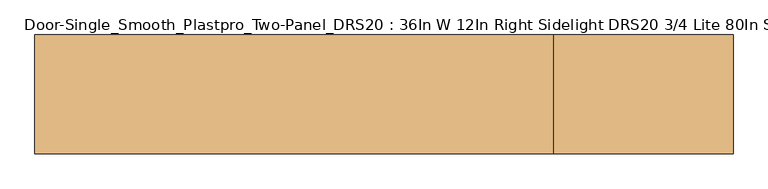
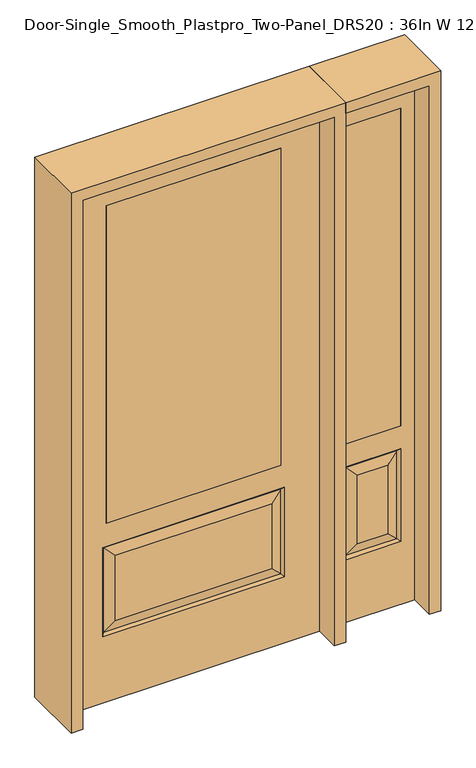
"""IFC4 building model written with IfcOpenShell, lengths in millimetres: door geometry, Door-Single_Smooth_Plastpro_Two-Panel_DRS20 : 36In W 12In Right Sidelight DRS20 3/4 Lite 80In Smooth."""

from ifc_helpers import new_model, si_unit, frame, origin, place, context, project, spatial, polyline, outline, extrude, faceted_brep, source, transform, mapped, element, save


def door_single_smooth_plastpro_two_panel_drs20_36in_w_12in_b6d457db(model_context):
    return source(origin(), model_context, "Body", "SolidModel", [
        extrude(outline(polyline([(549.275, -20.6375), (549.275, 20.6375), (752.475, 20.6375), (752.475, -20.6375), (549.275, -20.6375)])), frame((0.0, 0.0, 685.8), z_axis=(0.0, 0.0, 1.0), x_axis=(1.0, 0.0, 0.0)), (0.0, 0.0, 1.0), 1219.2),
        faceted_brep([(803.275, -20.6375, 0.0), (803.275, -20.6375, 2032.0), (498.475, -20.6375, 2032.0), (498.475, -20.6375, 0.0), (549.275, -20.6375, 685.8), (549.275, -20.6375, 1905.0), (752.475, -20.6375, 1905.0), (752.475, -20.6375, 685.8), (549.275, -20.6375, 241.3), (549.275, -20.6375, 596.9), (752.475, -20.6375, 596.9), (752.475, -20.6375, 241.3), (706.4375, -20.6375, 287.3375), (706.4375, -20.6375, 550.8625), (595.3125, -20.6375, 550.8625), (595.3125, -20.6375, 287.3375), (498.475, 20.6375, 0.0), (803.275, 20.6375, 0.0), (498.475, 20.6375, 2032.0), (803.275, 20.6375, 2032.0), (558.2552561, -11.6572439, 250.2802561), (743.4947439, -11.6572439, 250.2802561), (743.4947439, -11.6572439, 587.9197439), (558.2552561, -11.6572439, 587.9197439), (752.475, 20.6375, 685.8), (549.275, 20.6375, 685.8), (752.475, 20.6375, 1905.0), (549.275, 20.6375, 1905.0), (752.475, 20.6375, 241.3), (752.475, 20.6375, 596.9), (549.275, 20.6375, 596.9), (549.275, 20.6375, 241.3), (595.3125, 20.6375, 287.3375), (595.3125, 20.6375, 550.8625), (706.4375, 20.6375, 550.8625), (706.4375, 20.6375, 287.3375), (558.2552561, 11.6572439, 250.2802561), (743.4947439, 11.6572439, 250.2802561), (558.2552561, 11.6572439, 587.9197439), (743.4947439, 11.6572439, 587.9197439)], [[[0, 1, 2, 3], [4, 5, 6, 7], [8, 9, 10, 11]], [[12, 13, 14, 15]], [[3, 16, 17, 0]], [[2, 18, 16, 3]], [[0, 17, 19, 1]], [[20, 8, 11, 21]], [[11, 10, 22, 21]], [[10, 9, 23, 22]], [[20, 23, 9, 8]], [[21, 12, 15, 20]], [[15, 14, 23, 20]], [[22, 23, 14, 13]], [[21, 22, 13, 12]], [[4, 7, 24, 25]], [[7, 6, 26, 24]], [[25, 27, 5, 4]], [[17, 16, 18, 19], [24, 26, 27, 25], [28, 29, 30, 31]], [[32, 33, 34, 35]], [[28, 31, 36, 37]], [[31, 30, 38, 36]], [[39, 38, 30, 29]], [[37, 39, 29, 28]], [[36, 32, 35, 37]], [[35, 34, 39, 37]], [[34, 33, 38, 39]], [[36, 38, 33, 32]], [[1, 19, 18, 2]], [[27, 26, 6, 5]]]),
        extrude(outline(polyline([(317.5, -20.6375), (-317.5, -20.6375), (-317.5, 20.6375), (317.5, 20.6375), (317.5, -20.6375)])), frame((0.0, 0.0, 685.8), z_axis=(0.0, 0.0, 1.0), x_axis=(1.0, 0.0, 0.0)), (0.0, 0.0, 1.0), 1219.2),
        faceted_brep([(-317.5, 20.6375, 685.8), (-317.5, -20.6375, 685.8), (317.5, -20.6375, 685.8), (317.5, 20.6375, 685.8), (-321.2197439, 11.6572439, 587.9197439), (-284.1625, 20.6375, 550.8625), (-284.1625, 20.6375, 300.0375), (-321.2197439, 11.6572439, 262.9802561), (-321.2197439, -11.6572439, 262.9802561), (321.2197439, -11.6572439, 262.9802561), (284.1625, -20.6375, 300.0375), (-284.1625, -20.6375, 300.0375), (-321.2197439, -11.6572439, 587.9197439), (-284.1625, -20.6375, 550.8625), (284.1625, -20.6375, 550.8625), (321.2197439, -11.6572439, 587.9197439), (-330.2, -20.6375, 254.0), (330.2, -20.6375, 254.0), (317.5, -20.6375, 1905.0), (317.5, 20.6375, 1905.0), (284.1625, 20.6375, 300.0375), (321.2197439, 11.6572439, 262.9802561), (284.1625, 20.6375, 550.8625), (321.2197439, 11.6572439, 587.9197439), (457.2, 20.6375, 0.0), (457.2, -20.6375, 0.0), (-457.2, -20.6375, 0.0), (-457.2, 20.6375, 0.0), (457.2, 20.6375, 2032.0), (457.2, -20.6375, 2032.0), (-457.2, -20.6375, 2032.0), (-317.5, -20.6375, 1905.0), (-330.2, -20.6375, 596.9), (330.2, -20.6375, 596.9), (-457.2, 20.6375, 2032.0), (-317.5, 20.6375, 1905.0), (330.2, 20.6375, 596.9), (-330.2, 20.6375, 596.9), (-330.2, 20.6375, 254.0), (330.2, 20.6375, 254.0)], [[[0, 1, 2, 3]], [[4, 5, 6, 7]], [[8, 9, 10, 11]], [[12, 13, 14, 15]], [[9, 8, 16, 17]], [[18, 19, 3, 2]], [[7, 6, 20, 21]], [[22, 23, 21, 20]], [[24, 25, 26, 27]], [[28, 29, 25, 24]], [[11, 10, 14, 13]], [[29, 30, 26, 25], [31, 18, 2, 1], [17, 16, 32, 33]], [[30, 34, 27, 26]], [[5, 22, 20, 6]], [[34, 28, 24, 27], [19, 35, 0, 3], [36, 37, 38, 39]], [[23, 4, 37, 36]], [[37, 4, 7, 38]], [[38, 7, 21, 39]], [[23, 36, 39, 21]], [[4, 23, 22, 5]], [[35, 31, 1, 0]], [[16, 8, 12, 32]], [[32, 12, 15, 33]], [[9, 17, 33, 15]], [[10, 9, 15, 14]], [[8, 11, 13, 12]], [[28, 34, 30, 29]], [[31, 35, 19, 18]]]),
        extrude(outline(polyline([(2073.275, -498.475), (0.0, -498.475), (0.0, -457.2), (2032.0, -457.2), (2032.0, 457.2), (0.0, 457.2), (0.0, 498.475), (2073.275, 498.475), (2073.275, -498.475)])), frame((0.0, -114.3, 0.0), z_axis=(0.0, 1.0, 0.0), x_axis=(0.0, 0.0, 1.0)), (0.0, 0.0, 1.0), 228.6),
        extrude(outline(polyline([(0.0, 803.275), (0.0, 844.55), (2073.275, 844.55), (2073.275, 498.475), (2032.0, 498.475), (2032.0, 803.275), (0.0, 803.275)])), frame((0.0, -114.3, 0.0), z_axis=(0.0, 1.0, 0.0), x_axis=(0.0, 0.0, 1.0)), (0.0, 0.0, 1.0), 228.6),
    ])


if __name__ == "__main__":
    model = new_model("IFC4")
    model_context = context("Model", 3, world=origin())
    ifc_project = project(units=[si_unit("LENGTHUNIT", "METRE", prefix="MILLI")], contexts=[model_context])
    site = spatial("IfcSite", under=ifc_project)
    building = spatial("IfcBuilding", under=site)
    placement = place(None, origin())
    door_single_smooth_plastpro_two_panel_drs20_36in_w_12in_shape = door_single_smooth_plastpro_two_panel_drs20_36in_w_12in_b6d457db(model_context)
    element("IfcDoor", 1, ObjectType="Door-Single_Smooth_Plastpro_Two-Panel_DRS20 : 36In W 12In Right Sidelight DRS20 3/4 Lite 80In Smooth", at=placement, inside=building, context=model_context, shape_type="MappedRepresentation", body=[
        mapped(door_single_smooth_plastpro_two_panel_drs20_36in_w_12in_shape, transform((0.0, 0.0, 0.0), x_axis=(1.0, 0.0, 0.0), y_axis=(0.0, 1.0, 0.0), z_axis=(0.0, 0.0, 1.0))),
    ])
    save(model, "model.ifc")
